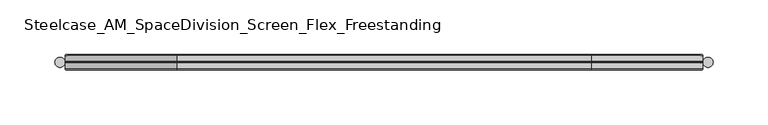
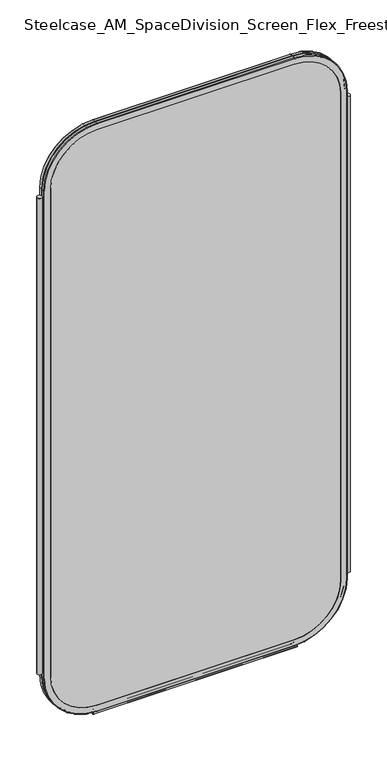
"""IFC4 building model written with IfcOpenShell, lengths in millimetres: furniture geometry, Steelcase_AM_SpaceDivision_Screen_Flex_Freestanding."""

from ifc_helpers import new_model, si_unit, point, frame, frame_2d, origin, place, context, project, spatial, polyline, circle_curve, ellipse_curve, trimmed, segment, composite_curve, outline, extrude, source, transform, mapped, element, save
from ifc_brep_helpers import plane_surface, cylinder_surface, revolved_surface, advanced_brep


def steelcase_am_spacedivision_screen_flex_freestanding_1ada0bf4(model_context):
    return source(origin(), model_context, "Body", "SolidModel", [
        extrude(outline(composite_curve([segment(trimmed(circle_curve(frame_2d((4.5307839, 0.0)), 4.572), [point((-0.0412161, 0.0))], [point((9.1027839, 0.0))], False, "CARTESIAN"), True, "CONTINUOUS"), segment(trimmed(circle_curve(frame_2d((4.5307839, 0.0)), 4.572), [point((9.1027839, 0.0))], [point((-0.0412161, 0.0))], False, "CARTESIAN"), True, "CONTINUOUS")], self_intersect=False)), frame((0.0, 0.0, 115.57), z_axis=(0.0, 0.0, 1.0), x_axis=(1.0, 0.0, 0.0)), (0.0, 0.0, 1.0), 962.66),
        extrude(outline(composite_curve([segment(trimmed(circle_curve(frame_2d((593.8932161, 0.0)), 4.572), [point((589.3212161, 0.0))], [point((598.4652161, 0.0))], False, "CARTESIAN"), True, "CONTINUOUS"), segment(trimmed(circle_curve(frame_2d((593.8932161, 0.0)), 4.572), [point((598.4652161, 0.0))], [point((589.3212161, 0.0))], False, "CARTESIAN"), True, "CONTINUOUS")], self_intersect=False)), frame((0.0, 0.0, 115.57), z_axis=(0.0, 0.0, 1.0), x_axis=(1.0, 0.0, 0.0)), (0.0, 0.0, 1.0), 962.66),
        extrude(outline(composite_curve([segment(trimmed(circle_curve(frame_2d((3.5, 2.4751953)), 2.5), [point((3.5, 4.9751953))], [point((1.4656663, 1.0220998))], False, "CARTESIAN"), True, "CONTINUOUS"), segment(trimmed(circle_curve(frame_2d((0.0, -0.0248047)), 1.8011626), [point((1.4656663, 1.0220998))], [point((-1.4656663, 1.0220998))], True, "CARTESIAN"), True, "CONTINUOUS"), segment(trimmed(circle_curve(frame_2d((-3.5, 2.4751953)), 2.5), [point((-1.4656663, 1.0220998))], [point((-3.5, 4.9751953))], False, "CARTESIAN"), True, "CONTINUOUS"), segment(trimmed(circle_curve(frame_2d((-3.5, 4.4751953)), 0.5), [point((-3.5, 4.9751953))], [point((-3.5, 3.9751953))], False, "CARTESIAN"), True, "CONTINUOUS"), segment(trimmed(circle_curve(frame_2d((-3.5, 2.4751953)), 1.5), [point((-3.5, 3.9751953))], [point((-2.3025096, 1.5718589))], True, "CARTESIAN"), True, "CONTINUOUS"), segment(trimmed(circle_curve(frame_2d((-10.3325937, 7.629417)), 10.0586411), [point((-2.3025096, 1.5718589))], [point((-0.714976, 4.6836248))], True, "CARTESIAN"), True, "CONTINUOUS"), segment(trimmed(circle_curve(frame_2d((0.0, 4.4646339)), 0.7477618), [point((-0.714976, 4.6836248))], [point((0.714976, 4.6836248))], False, "CARTESIAN"), True, "CONTINUOUS"), segment(trimmed(circle_curve(frame_2d((10.3325937, 7.629417)), 10.0586411), [point((0.714976, 4.6836248))], [point((2.3025096, 1.5718589))], True, "CARTESIAN"), True, "CONTINUOUS"), segment(trimmed(circle_curve(frame_2d((3.5, 2.4751953)), 1.5), [point((2.3025096, 1.5718589))], [point((3.5, 3.9751953))], True, "CARTESIAN"), True, "CONTINUOUS"), segment(trimmed(circle_curve(frame_2d((3.5, 4.4751953)), 0.5), [point((3.5, 3.9751953))], [point((3.5, 4.9751953))], False, "CARTESIAN"), True, "CONTINUOUS")], self_intersect=False)), frame((104.1640108, 0.0, 0.0), z_axis=(1.0, 0.0, 0.0), x_axis=(0.0, 1.0, 0.0)), (0.0, 0.0, 1.0), 390.0959784),
        advanced_brep(
        [(9.9273521, 0.0, 1092.2), (9.9273521, 0.0, 106.5996464), (110.7653521, 0.0, 5.7616464), (487.6834661, 0.0, 5.7616464), (588.5214661, 0.0, 106.5996464), (588.5214661, 0.0, 1092.2), (487.6834661, 0.0, 1193.038), (110.7653521, 0.0, 1193.038), (487.6834661, 0.0, 17.6996464), (110.7653521, 0.0, 17.6996464), (21.8653521, 0.0, 106.5996464), (21.8653521, 0.0, 1092.2), (110.7653521, 0.0, 1181.1), (487.6834661, 0.0, 1181.1), (576.5834661, 0.0, 1092.2), (576.5834661, 0.0, 106.5996464), (110.7653521, 0.762, 1193.8), (9.1653521, 0.762, 1092.2), (110.7653521, 6.096, 1193.8), (9.1653521, 6.096, 1092.2), (110.7653521, 6.858, 1193.038), (9.9273521, 6.858, 1092.2), (21.8653521, 6.858, 1092.2), (110.7653521, 6.858, 1181.1), (487.6834661, 0.762, 1193.8), (487.6834661, 6.096, 1193.8), (487.6834661, 6.858, 1193.038), (487.6834661, 6.858, 1181.1), (589.2834661, 0.762, 1092.2), (589.2834661, 6.096, 1092.2), (588.5214661, 6.858, 1092.2), (576.5834661, 6.858, 1092.2), (589.2834661, 0.762, 106.5996464), (589.2834661, 6.096, 106.5996464), (588.5214661, 6.858, 106.5996464), (576.5834661, 6.858, 106.5996464), (487.6834661, 0.762, 4.9996464), (487.6834661, 6.096, 4.9996464), (487.6834661, 6.858, 5.7616464), (487.6834661, 6.858, 17.6996464), (110.7653521, 0.762, 4.9996464), (110.7653521, 6.096, 4.9996464), (110.7653521, 6.858, 5.7616464), (110.7653521, 6.858, 17.6996464), (9.1653521, 0.762, 106.5996464), (9.1653521, 6.096, 106.5996464), (9.9273521, 6.858, 106.5996464), (21.8653521, 6.858, 106.5996464)],
        [
            (0, 1),
            (1, 2, circle_curve(frame((110.7653521, 0.0, 106.5996464), z_axis=(0.0, -1.0, 0.0), x_axis=(0.0, 0.0, -1.0)), 100.838)),
            (2, 3),
            (3, 4, circle_curve(frame((487.6834661, 0.0, 106.5996464), z_axis=(0.0, -1.0, 0.0), x_axis=(1.0, 0.0, 0.0)), 100.838)),
            (4, 5),
            (5, 6, circle_curve(frame((487.6834661, 0.0, 1092.2), z_axis=(0.0, -1.0, 0.0), x_axis=(0.0, 0.0, 1.0)), 100.838)),
            (6, 7),
            (7, 0, circle_curve(frame((110.7653521, 0.0, 1092.2), z_axis=(0.0, -1.0, 0.0), x_axis=(-1.0, 0.0, 0.0)), 100.838)),
            (8, 9),
            (9, 10, circle_curve(frame((110.7653521, 0.0, 106.5996464), z_axis=(0.0, 1.0, 0.0), x_axis=(0.0, 0.0, -1.0)), 88.9)),
            (10, 11),
            (11, 12, circle_curve(frame((110.7653521, 0.0, 1092.2), z_axis=(0.0, 1.0, 0.0), x_axis=(-1.0, 0.0, 0.0)), 88.9)),
            (12, 13),
            (13, 14, circle_curve(frame((487.6834661, 0.0, 1092.2), z_axis=(0.0, 1.0, 0.0), x_axis=(0.0, 0.0, 1.0)), 88.9)),
            (14, 15),
            (15, 8, circle_curve(frame((487.6834661, 0.0, 106.5996464), z_axis=(0.0, 1.0, 0.0), x_axis=(1.0, 0.0, 0.0)), 88.9)),
            (16, 17, circle_curve(frame((110.7653521, 0.762, 1092.2), z_axis=(0.0, -1.0, 0.0), x_axis=(-1.0, 0.0, 0.0)), 101.6)),
            (17, 0, circle_curve(frame((9.9273521, 0.762, 1092.2), z_axis=(0.0, 0.0, 1.0), x_axis=(-1.0, 0.0, 0.0)), 0.762)),
            (7, 16, circle_curve(frame((110.7653521, 0.762, 1193.038), z_axis=(-1.0, 0.0, 0.0), x_axis=(0.0, 0.0, 1.0)), 0.762)),
            (18, 19, circle_curve(frame((110.7653521, 6.096, 1092.2), z_axis=(0.0, -1.0, 0.0), x_axis=(-1.0, 0.0, 0.0)), 101.6)),
            (19, 17),
            (16, 18),
            (20, 21, circle_curve(frame((110.7653521, 6.858, 1092.2), z_axis=(0.0, -1.0, 0.0), x_axis=(-1.0, 0.0, 0.0)), 100.838)),
            (21, 19, circle_curve(frame((9.9273521, 6.096, 1092.2), z_axis=(0.0, 0.0, 1.0), x_axis=(-1.0, 0.0, 0.0)), 0.762)),
            (18, 20, circle_curve(frame((110.7653521, 6.096, 1193.038), z_axis=(-1.0, 0.0, 0.0), x_axis=(0.0, 0.0, 1.0)), 0.762)),
            (11, 22),
            (22, 23, circle_curve(frame((110.7653521, 6.858, 1092.2), z_axis=(0.0, 1.0, 0.0), x_axis=(-1.0, 0.0, 0.0)), 88.9)),
            (23, 12),
            (6, 24, circle_curve(frame((487.6834661, 0.762, 1193.038), z_axis=(-1.0, 0.0, 0.0), x_axis=(0.0, 0.0, 1.0)), 0.762)),
            (24, 16),
            (24, 25),
            (25, 18),
            (25, 26, circle_curve(frame((487.6834661, 6.096, 1193.038), z_axis=(-1.0, 0.0, 0.0), x_axis=(0.0, 0.0, 1.0)), 0.762)),
            (26, 20),
            (23, 27),
            (27, 13),
            (28, 24, circle_curve(frame((487.6834661, 0.762, 1092.2), z_axis=(0.0, -1.0, 0.0), x_axis=(0.0, 0.0, 1.0)), 101.6)),
            (5, 28, circle_curve(frame((588.5214661, 0.762, 1092.2), z_axis=(0.0, 0.0, 1.0), x_axis=(1.0, 0.0, 0.0)), 0.762)),
            (29, 25, circle_curve(frame((487.6834661, 6.096, 1092.2), z_axis=(0.0, -1.0, 0.0), x_axis=(0.0, 0.0, 1.0)), 101.6)),
            (28, 29),
            (30, 26, circle_curve(frame((487.6834661, 6.858, 1092.2), z_axis=(0.0, -1.0, 0.0), x_axis=(0.0, 0.0, 1.0)), 100.838)),
            (29, 30, circle_curve(frame((588.5214661, 6.096, 1092.2), z_axis=(0.0, 0.0, 1.0), x_axis=(1.0, 0.0, 0.0)), 0.762)),
            (27, 31, circle_curve(frame((487.6834661, 6.858, 1092.2), z_axis=(0.0, 1.0, 0.0), x_axis=(0.0, 0.0, 1.0)), 88.9)),
            (31, 14),
            (4, 32, circle_curve(frame((588.5214661, 0.762, 106.5996464), z_axis=(0.0, 0.0, 1.0), x_axis=(1.0, 0.0, 0.0)), 0.762)),
            (32, 28),
            (32, 33),
            (33, 29),
            (33, 34, circle_curve(frame((588.5214661, 6.096, 106.5996464), z_axis=(0.0, 0.0, 1.0), x_axis=(1.0, 0.0, 0.0)), 0.762)),
            (34, 30),
            (31, 35),
            (35, 15),
            (36, 32, circle_curve(frame((487.6834661, 0.762, 106.5996464), z_axis=(0.0, -1.0, 0.0), x_axis=(1.0, 0.0, 0.0)), 101.6)),
            (3, 36, circle_curve(frame((487.6834661, 0.762, 5.7616464), z_axis=(1.0, 0.0, 0.0), x_axis=(0.0, 0.0, -1.0)), 0.762)),
            (37, 33, circle_curve(frame((487.6834661, 6.096, 106.5996464), z_axis=(0.0, -1.0, 0.0), x_axis=(1.0, 0.0, 0.0)), 101.6)),
            (36, 37),
            (38, 34, circle_curve(frame((487.6834661, 6.858, 106.5996464), z_axis=(0.0, -1.0, 0.0), x_axis=(1.0, 0.0, 0.0)), 100.838)),
            (37, 38, circle_curve(frame((487.6834661, 6.096, 5.7616464), z_axis=(1.0, 0.0, 0.0), x_axis=(0.0, 0.0, -1.0)), 0.762)),
            (35, 39, circle_curve(frame((487.6834661, 6.858, 106.5996464), z_axis=(0.0, 1.0, 0.0), x_axis=(1.0, 0.0, 0.0)), 88.9)),
            (39, 8),
            (2, 40, circle_curve(frame((110.7653521, 0.762, 5.7616464), z_axis=(1.0, 0.0, 0.0), x_axis=(0.0, 0.0, -1.0)), 0.762)),
            (40, 36),
            (40, 41),
            (41, 37),
            (41, 42, circle_curve(frame((110.7653521, 6.096, 5.7616464), z_axis=(1.0, 0.0, 0.0), x_axis=(0.0, 0.0, -1.0)), 0.762)),
            (42, 38),
            (39, 43),
            (43, 9),
            (44, 40, circle_curve(frame((110.7653521, 0.762, 106.5996464), z_axis=(0.0, -1.0, 0.0), x_axis=(0.0, 0.0, -1.0)), 101.6)),
            (1, 44, circle_curve(frame((9.9273521, 0.762, 106.5996464), z_axis=(0.0, 0.0, -1.0), x_axis=(-1.0, 0.0, 0.0)), 0.762)),
            (45, 41, circle_curve(frame((110.7653521, 6.096, 106.5996464), z_axis=(0.0, -1.0, 0.0), x_axis=(0.0, 0.0, -1.0)), 101.6)),
            (44, 45),
            (46, 42, circle_curve(frame((110.7653521, 6.858, 106.5996464), z_axis=(0.0, -1.0, 0.0), x_axis=(0.0, 0.0, -1.0)), 100.838)),
            (45, 46, circle_curve(frame((9.9273521, 6.096, 106.5996464), z_axis=(0.0, 0.0, -1.0), x_axis=(-1.0, 0.0, 0.0)), 0.762)),
            (43, 47, circle_curve(frame((110.7653521, 6.858, 106.5996464), z_axis=(0.0, 1.0, 0.0), x_axis=(0.0, 0.0, -1.0)), 88.9)),
            (47, 10),
            (17, 44),
            (19, 45),
            (21, 46),
            (22, 47),
        ],
        [
            plane_surface(frame((21.8653521, 0.0, 106.5996464), z_axis=(0.0, -1.0, 0.0), x_axis=(0.0, 0.0, 1.0))),
            revolved_surface(trimmed(ellipse_curve(frame((9.9273521, 0.762, 1092.2), z_axis=(0.0, 0.0, -1.0), x_axis=(-1.0, 0.0, 0.0)), 0.762, 0.762), [point((9.9273521, 0.0, 1092.2))], [point((9.1653521, 0.762, 1092.2))], True, "CARTESIAN"), (110.7653521, 0.0, 1092.2), (0.0, 1.0, 0.0)),
            cylinder_surface(frame((110.7653521, 0.0, 1092.2), z_axis=(0.0, 1.0, 0.0), x_axis=(-1.0, 0.0, 0.0)), 101.6),
            revolved_surface(trimmed(ellipse_curve(frame((9.9273521, 6.096, 1092.2), z_axis=(0.0, 0.0, -1.0), x_axis=(-1.0, 0.0, 0.0)), 0.762, 0.762), [point((9.1653521, 6.096, 1092.2))], [point((9.9273521, 6.858, 1092.2))], True, "CARTESIAN"), (110.7653521, 0.0, 1092.2), (0.0, 1.0, 0.0)),
            revolved_surface(polyline([(21.865352099999996, 6.858, 1092.2), (21.865352099999996, 0.0, 1092.2)]), (110.7653521, 0.0, 1092.2), (0.0, 1.0, 0.0)),
            cylinder_surface(frame((110.7653521, 0.762, 1193.038), z_axis=(-1.0, 0.0, 0.0), x_axis=(0.0, 0.0, 1.0)), 0.762),
            plane_surface(frame((110.7653521, 0.762, 1193.8), z_axis=(0.0, 0.0, 1.0), x_axis=(1.0, 0.0, 0.0))),
            cylinder_surface(frame((110.7653521, 6.096, 1193.038), z_axis=(-1.0, 0.0, 0.0), x_axis=(0.0, 0.0, 1.0)), 0.762),
            plane_surface(frame((110.7653521, 6.858, 1181.1), z_axis=(0.0, 0.0, -1.0), x_axis=(1.0, 0.0, 0.0))),
            revolved_surface(trimmed(ellipse_curve(frame((487.6834661, 0.762, 1193.038), z_axis=(-1.0, 0.0, 0.0), x_axis=(0.0, 0.0, 1.0)), 0.762, 0.762), [point((487.6834661, 0.0, 1193.038))], [point((487.6834661, 0.762, 1193.8))], True, "CARTESIAN"), (487.6834661, 0.0, 1092.2), (0.0, 1.0, 0.0)),
            cylinder_surface(frame((487.6834661, 0.0, 1092.2), z_axis=(0.0, 1.0, 0.0), x_axis=(0.0, 0.0, 1.0)), 101.6),
            revolved_surface(trimmed(ellipse_curve(frame((487.6834661, 6.096, 1193.038), z_axis=(-1.0, 0.0, 0.0), x_axis=(0.0, 0.0, 1.0)), 0.762, 0.762), [point((487.6834661, 6.096, 1193.8))], [point((487.6834661, 6.858, 1193.038))], True, "CARTESIAN"), (487.6834661, 0.0, 1092.2), (0.0, 1.0, 0.0)),
            revolved_surface(polyline([(487.6834661, 6.858, 1181.1000000000001), (487.6834661, 0.0, 1181.1000000000001)]), (487.6834661, 0.0, 1092.2), (0.0, 1.0, 0.0)),
            cylinder_surface(frame((588.5214661, 0.762, 1092.2), z_axis=(0.0, 0.0, 1.0), x_axis=(1.0, 0.0, 0.0)), 0.762),
            plane_surface(frame((589.2834661, 0.762, 1092.2), z_axis=(1.0, 0.0, 0.0), x_axis=(0.0, 0.0, -1.0))),
            cylinder_surface(frame((588.5214661, 6.096, 1092.2), z_axis=(0.0, 0.0, 1.0), x_axis=(1.0, 0.0, 0.0)), 0.762),
            plane_surface(frame((576.5834661, 6.858, 1092.2), z_axis=(-1.0, 0.0, 0.0), x_axis=(0.0, 0.0, -1.0))),
            revolved_surface(trimmed(ellipse_curve(frame((588.5214661, 0.762, 106.5996464), z_axis=(0.0, 0.0, 1.0), x_axis=(1.0, 0.0, 0.0)), 0.762, 0.762), [point((588.5214661, 0.0, 106.5996464))], [point((589.2834661, 0.762, 106.5996464))], True, "CARTESIAN"), (487.6834661, 0.0, 106.5996464), (0.0, 1.0, 0.0)),
            cylinder_surface(frame((487.6834661, 0.0, 106.5996464), z_axis=(0.0, 1.0, 0.0), x_axis=(1.0, 0.0, 0.0)), 101.6),
            revolved_surface(trimmed(ellipse_curve(frame((588.5214661, 6.096, 106.5996464), z_axis=(0.0, 0.0, 1.0), x_axis=(1.0, 0.0, 0.0)), 0.762, 0.762), [point((589.2834661, 6.096, 106.5996464))], [point((588.5214661, 6.858, 106.5996464))], True, "CARTESIAN"), (487.6834661, 0.0, 106.5996464), (0.0, 1.0, 0.0)),
            revolved_surface(polyline([(576.5834661, 6.858, 106.5996464), (576.5834661, 0.0, 106.5996464)]), (487.6834661, 0.0, 106.5996464), (0.0, 1.0, 0.0)),
            cylinder_surface(frame((487.6834661, 0.762, 5.7616464), z_axis=(1.0, 0.0, 0.0), x_axis=(0.0, 0.0, -1.0)), 0.762),
            plane_surface(frame((487.6834661, 0.762, 4.9996464), z_axis=(0.0, 0.0, -1.0), x_axis=(-1.0, 0.0, 0.0))),
            cylinder_surface(frame((487.6834661, 6.096, 5.7616464), z_axis=(1.0, 0.0, 0.0), x_axis=(0.0, 0.0, -1.0)), 0.762),
            plane_surface(frame((487.6834661, 6.858, 17.6996464), z_axis=(0.0, 0.0, 1.0), x_axis=(-1.0, 0.0, 0.0))),
            revolved_surface(trimmed(ellipse_curve(frame((110.7653521, 0.762, 5.7616464), z_axis=(1.0, 0.0, 0.0), x_axis=(0.0, 0.0, -1.0)), 0.762, 0.762), [point((110.7653521, 0.0, 5.7616464))], [point((110.7653521, 0.762, 4.9996464))], True, "CARTESIAN"), (110.7653521, 0.0, 106.5996464), (0.0, 1.0, 0.0)),
            cylinder_surface(frame((110.7653521, 0.0, 106.5996464), z_axis=(0.0, 1.0, 0.0), x_axis=(0.0, 0.0, -1.0)), 101.6),
            revolved_surface(trimmed(ellipse_curve(frame((110.7653521, 6.096, 5.7616464), z_axis=(1.0, 0.0, 0.0), x_axis=(0.0, 0.0, -1.0)), 0.762, 0.762), [point((110.7653521, 6.096, 4.9996464))], [point((110.7653521, 6.858, 5.7616464))], True, "CARTESIAN"), (110.7653521, 0.0, 106.5996464), (0.0, 1.0, 0.0)),
            revolved_surface(polyline([(110.7653521, 6.858, 17.699646399999992), (110.7653521, 0.0, 17.699646399999992)]), (110.7653521, 0.0, 106.5996464), (0.0, 1.0, 0.0)),
            cylinder_surface(frame((9.9273521, 0.762, 106.5996464), z_axis=(0.0, 0.0, -1.0), x_axis=(-1.0, 0.0, 0.0)), 0.762),
            plane_surface(frame((9.1653521, 0.762, 106.5996464), z_axis=(-1.0, 0.0, 0.0), x_axis=(0.0, 0.0, 1.0))),
            cylinder_surface(frame((9.9273521, 6.096, 106.5996464), z_axis=(0.0, 0.0, -1.0), x_axis=(-1.0, 0.0, 0.0)), 0.762),
            plane_surface(frame((9.9273521, 6.858, 106.5996464), z_axis=(0.0, 1.0, 0.0), x_axis=(0.0, 0.0, 1.0))),
            plane_surface(frame((21.8653521, 6.858, 106.5996464), z_axis=(1.0, 0.0, 0.0), x_axis=(0.0, 0.0, 1.0))),
        ],
        [
            (0, [[1, 2, 3, 4, 5, 6, 7, 8], [9, 10, 11, 12, 13, 14, 15, 16]]),
            (1, [[17, 18, -8, 19]]),
            (2, [[20, 21, -17, 22]]),
            (3, [[23, 24, -20, 25]]),
            (4, [[-12, 26, 27, 28]]),
            (5, [[-19, -7, 29, 30]]),
            (6, [[-22, -30, 31, 32]]),
            (7, [[-25, -32, 33, 34]]),
            (8, [[-28, 35, 36, -13]]),
            (9, [[37, -29, -6, 38]]),
            (10, [[39, -31, -37, 40]]),
            (11, [[41, -33, -39, 42]]),
            (12, [[-14, -36, 43, 44]]),
            (13, [[-38, -5, 45, 46]]),
            (14, [[-40, -46, 47, 48]]),
            (15, [[-42, -48, 49, 50]]),
            (16, [[-44, 51, 52, -15]]),
            (17, [[53, -45, -4, 54]]),
            (18, [[55, -47, -53, 56]]),
            (19, [[57, -49, -55, 58]]),
            (20, [[-16, -52, 59, 60]]),
            (21, [[-54, -3, 61, 62]]),
            (22, [[-56, -62, 63, 64]]),
            (23, [[-58, -64, 65, 66]]),
            (24, [[-60, 67, 68, -9]]),
            (25, [[69, -61, -2, 70]]),
            (26, [[71, -63, -69, 72]]),
            (27, [[73, -65, -71, 74]]),
            (28, [[-10, -68, 75, 76]]),
            (29, [[-70, -1, -18, 77]]),
            (30, [[-72, -77, -21, 78]]),
            (31, [[-74, -78, -24, 79]]),
            (32, [[-66, -73, -79, -23, -34, -41, -50, -57], [80, -75, -67, -59, -51, -43, -35, -27]]),
            (33, [[-76, -80, -26, -11]]),
        ],
    ),
        extrude(outline(composite_curve([segment(polyline([(1181.1, 487.6834661), (1181.1, 110.7653521)]), True, "CONTINUOUS"), segment(trimmed(circle_curve(frame_2d((1092.2, 110.7653521)), 88.9), [point((1181.1, 110.7653521))], [point((1092.2, 21.8653521))], False, "CARTESIAN"), True, "CONTINUOUS"), segment(polyline([(1092.2, 21.8653521), (106.5996464, 21.8653521)]), True, "CONTINUOUS"), segment(trimmed(circle_curve(frame_2d((106.5996464, 110.7653521)), 88.9), [point((106.5996464, 21.8653521))], [point((17.6996464, 110.7653521))], False, "CARTESIAN"), True, "CONTINUOUS"), segment(polyline([(17.6996464, 110.7653521), (17.6996464, 487.6834661)]), True, "CONTINUOUS"), segment(trimmed(circle_curve(frame_2d((106.5996464, 487.6834661)), 88.9), [point((17.6996464, 487.6834661))], [point((106.5996464, 576.5834661))], False, "CARTESIAN"), True, "CONTINUOUS"), segment(polyline([(106.5996464, 576.5834661), (1092.2, 576.5834661)]), True, "CONTINUOUS"), segment(trimmed(circle_curve(frame_2d((1092.2, 487.6834661)), 88.9), [point((1092.2, 576.5834661))], [point((1181.1, 487.6834661))], False, "CARTESIAN"), True, "CONTINUOUS")], self_intersect=False)), frame((0.0, 0.0, 0.0), z_axis=(0.0, 1.0, 0.0), x_axis=(0.0, 0.0, 1.0)), (0.0, 0.0, 1.0), 6.858),
        advanced_brep(
        [(110.7653521, -6.858, 1181.1), (21.8653521, -6.858, 1092.2), (21.8653521, 0.0, 1092.2), (110.7653521, 0.0, 1181.1), (110.7653521, -6.096, 1193.8), (9.1653521, -6.096, 1092.2), (9.9273521, -6.858, 1092.2), (110.7653521, -6.858, 1193.038), (110.7653521, -0.762, 1193.8), (9.1653521, -0.762, 1092.2), (110.7653521, 0.0, 1193.038), (9.9273521, 0.0, 1092.2), (487.6834661, 0.0, 1181.1), (487.6834661, -6.858, 1181.1), (487.6834661, -6.858, 1193.038), (487.6834661, -6.096, 1193.8), (487.6834661, -0.762, 1193.8), (487.6834661, 0.0, 1193.038), (576.5834661, -6.858, 1092.2), (576.5834661, 0.0, 1092.2), (589.2834661, -6.096, 1092.2), (588.5214661, -6.858, 1092.2), (589.2834661, -0.762, 1092.2), (588.5214661, 0.0, 1092.2), (576.5834661, 0.0, 106.5996464), (576.5834661, -6.858, 106.5996464), (588.5214661, -6.858, 106.5996464), (589.2834661, -6.096, 106.5996464), (589.2834661, -0.762, 106.5996464), (588.5214661, 0.0, 106.5996464), (487.6834661, -6.858, 17.6996464), (487.6834661, 0.0, 17.6996464), (487.6834661, -6.096, 4.9996464), (487.6834661, -6.858, 5.7616464), (487.6834661, -0.762, 4.9996464), (487.6834661, 0.0, 5.7616464), (110.7653521, 0.0, 17.6996464), (110.7653521, -6.858, 17.6996464), (110.7653521, -6.858, 5.7616464), (110.7653521, -6.096, 4.9996464), (110.7653521, -0.762, 4.9996464), (110.7653521, 0.0, 5.7616464), (21.8653521, -6.858, 106.5996464), (21.8653521, 0.0, 106.5996464), (9.1653521, -6.096, 106.5996464), (9.9273521, -6.858, 106.5996464), (9.1653521, -0.762, 106.5996464), (9.9273521, 0.0, 106.5996464)],
        [
            (0, 1, circle_curve(frame((110.7653521, -6.858, 1092.2), z_axis=(0.0, -1.0, 0.0), x_axis=(-1.0, 0.0, 0.0)), 88.9)),
            (1, 2),
            (2, 3, circle_curve(frame((110.7653521, 0.0, 1092.2), z_axis=(0.0, 1.0, 0.0), x_axis=(-1.0, 0.0, 0.0)), 88.9)),
            (3, 0),
            (4, 5, circle_curve(frame((110.7653521, -6.096, 1092.2), z_axis=(0.0, -1.0, 0.0), x_axis=(-1.0, 0.0, 0.0)), 101.6)),
            (5, 6, circle_curve(frame((9.9273521, -6.096, 1092.2), z_axis=(0.0, 0.0, 1.0), x_axis=(-1.0, 0.0, 0.0)), 0.762)),
            (6, 7, circle_curve(frame((110.7653521, -6.858, 1092.2), z_axis=(0.0, 1.0, 0.0), x_axis=(-1.0, 0.0, 0.0)), 100.838)),
            (7, 4, circle_curve(frame((110.7653521, -6.096, 1193.038), z_axis=(-1.0, 0.0, 0.0), x_axis=(0.0, 0.0, 1.0)), 0.762)),
            (8, 9, circle_curve(frame((110.7653521, -0.762, 1092.2), z_axis=(0.0, -1.0, 0.0), x_axis=(-1.0, 0.0, 0.0)), 101.6)),
            (9, 5),
            (4, 8),
            (10, 11, circle_curve(frame((110.7653521, 0.0, 1092.2), z_axis=(0.0, -1.0, 0.0), x_axis=(-1.0, 0.0, 0.0)), 100.838)),
            (11, 9, circle_curve(frame((9.9273521, -0.762, 1092.2), z_axis=(0.0, 0.0, 1.0), x_axis=(-1.0, 0.0, 0.0)), 0.762)),
            (8, 10, circle_curve(frame((110.7653521, -0.762, 1193.038), z_axis=(-1.0, 0.0, 0.0), x_axis=(0.0, 0.0, 1.0)), 0.762)),
            (3, 12),
            (12, 13),
            (13, 0),
            (7, 14),
            (14, 15, circle_curve(frame((487.6834661, -6.096, 1193.038), z_axis=(-1.0, 0.0, 0.0), x_axis=(0.0, 0.0, 1.0)), 0.762)),
            (15, 4),
            (15, 16),
            (16, 8),
            (16, 17, circle_curve(frame((487.6834661, -0.762, 1193.038), z_axis=(-1.0, 0.0, 0.0), x_axis=(0.0, 0.0, 1.0)), 0.762)),
            (17, 10),
            (18, 13, circle_curve(frame((487.6834661, -6.858, 1092.2), z_axis=(0.0, -1.0, 0.0), x_axis=(0.0, 0.0, 1.0)), 88.9)),
            (12, 19, circle_curve(frame((487.6834661, 0.0, 1092.2), z_axis=(0.0, 1.0, 0.0), x_axis=(0.0, 0.0, 1.0)), 88.9)),
            (19, 18),
            (20, 15, circle_curve(frame((487.6834661, -6.096, 1092.2), z_axis=(0.0, -1.0, 0.0), x_axis=(0.0, 0.0, 1.0)), 101.6)),
            (14, 21, circle_curve(frame((487.6834661, -6.858, 1092.2), z_axis=(0.0, 1.0, 0.0), x_axis=(0.0, 0.0, 1.0)), 100.838)),
            (21, 20, circle_curve(frame((588.5214661, -6.096, 1092.2), z_axis=(0.0, 0.0, 1.0), x_axis=(1.0, 0.0, 0.0)), 0.762)),
            (22, 16, circle_curve(frame((487.6834661, -0.762, 1092.2), z_axis=(0.0, -1.0, 0.0), x_axis=(0.0, 0.0, 1.0)), 101.6)),
            (20, 22),
            (23, 17, circle_curve(frame((487.6834661, 0.0, 1092.2), z_axis=(0.0, -1.0, 0.0), x_axis=(0.0, 0.0, 1.0)), 100.838)),
            (22, 23, circle_curve(frame((588.5214661, -0.762, 1092.2), z_axis=(0.0, 0.0, 1.0), x_axis=(1.0, 0.0, 0.0)), 0.762)),
            (19, 24),
            (24, 25),
            (25, 18),
            (21, 26),
            (26, 27, circle_curve(frame((588.5214661, -6.096, 106.5996464), z_axis=(0.0, 0.0, 1.0), x_axis=(1.0, 0.0, 0.0)), 0.762)),
            (27, 20),
            (27, 28),
            (28, 22),
            (28, 29, circle_curve(frame((588.5214661, -0.762, 106.5996464), z_axis=(0.0, 0.0, 1.0), x_axis=(1.0, 0.0, 0.0)), 0.762)),
            (29, 23),
            (30, 25, circle_curve(frame((487.6834661, -6.858, 106.5996464), z_axis=(0.0, -1.0, 0.0), x_axis=(1.0, 0.0, 0.0)), 88.9)),
            (24, 31, circle_curve(frame((487.6834661, 0.0, 106.5996464), z_axis=(0.0, 1.0, 0.0), x_axis=(1.0, 0.0, 0.0)), 88.9)),
            (31, 30),
            (32, 27, circle_curve(frame((487.6834661, -6.096, 106.5996464), z_axis=(0.0, -1.0, 0.0), x_axis=(1.0, 0.0, 0.0)), 101.6)),
            (26, 33, circle_curve(frame((487.6834661, -6.858, 106.5996464), z_axis=(0.0, 1.0, 0.0), x_axis=(1.0, 0.0, 0.0)), 100.838)),
            (33, 32, circle_curve(frame((487.6834661, -6.096, 5.7616464), z_axis=(1.0, 0.0, 0.0), x_axis=(0.0, 0.0, -1.0)), 0.762)),
            (34, 28, circle_curve(frame((487.6834661, -0.762, 106.5996464), z_axis=(0.0, -1.0, 0.0), x_axis=(1.0, 0.0, 0.0)), 101.6)),
            (32, 34),
            (35, 29, circle_curve(frame((487.6834661, 0.0, 106.5996464), z_axis=(0.0, -1.0, 0.0), x_axis=(1.0, 0.0, 0.0)), 100.838)),
            (34, 35, circle_curve(frame((487.6834661, -0.762, 5.7616464), z_axis=(1.0, 0.0, 0.0), x_axis=(0.0, 0.0, -1.0)), 0.762)),
            (31, 36),
            (36, 37),
            (37, 30),
            (33, 38),
            (38, 39, circle_curve(frame((110.7653521, -6.096, 5.7616464), z_axis=(1.0, 0.0, 0.0), x_axis=(0.0, 0.0, -1.0)), 0.762)),
            (39, 32),
            (39, 40),
            (40, 34),
            (40, 41, circle_curve(frame((110.7653521, -0.762, 5.7616464), z_axis=(1.0, 0.0, 0.0), x_axis=(0.0, 0.0, -1.0)), 0.762)),
            (41, 35),
            (42, 37, circle_curve(frame((110.7653521, -6.858, 106.5996464), z_axis=(0.0, -1.0, 0.0), x_axis=(0.0, 0.0, -1.0)), 88.9)),
            (36, 43, circle_curve(frame((110.7653521, 0.0, 106.5996464), z_axis=(0.0, 1.0, 0.0), x_axis=(0.0, 0.0, -1.0)), 88.9)),
            (43, 42),
            (44, 39, circle_curve(frame((110.7653521, -6.096, 106.5996464), z_axis=(0.0, -1.0, 0.0), x_axis=(0.0, 0.0, -1.0)), 101.6)),
            (38, 45, circle_curve(frame((110.7653521, -6.858, 106.5996464), z_axis=(0.0, 1.0, 0.0), x_axis=(0.0, 0.0, -1.0)), 100.838)),
            (45, 44, circle_curve(frame((9.9273521, -6.096, 106.5996464), z_axis=(0.0, 0.0, -1.0), x_axis=(-1.0, 0.0, 0.0)), 0.762)),
            (46, 40, circle_curve(frame((110.7653521, -0.762, 106.5996464), z_axis=(0.0, -1.0, 0.0), x_axis=(0.0, 0.0, -1.0)), 101.6)),
            (44, 46),
            (47, 41, circle_curve(frame((110.7653521, 0.0, 106.5996464), z_axis=(0.0, -1.0, 0.0), x_axis=(0.0, 0.0, -1.0)), 100.838)),
            (46, 47, circle_curve(frame((9.9273521, -0.762, 106.5996464), z_axis=(0.0, 0.0, -1.0), x_axis=(-1.0, 0.0, 0.0)), 0.762)),
            (43, 2),
            (1, 42),
            (6, 45),
            (5, 44),
            (9, 46),
            (11, 47),
        ],
        [
            revolved_surface(polyline([(21.865352099999996, 0.0, 1092.2), (21.865352099999996, -6.858, 1092.2)]), (110.7653521, 0.0, 1092.2), (0.0, 1.0, 0.0)),
            revolved_surface(trimmed(ellipse_curve(frame((9.9273521, -6.096, 1092.2), z_axis=(0.0, 0.0, -1.0), x_axis=(-1.0, 0.0, 0.0)), 0.762, 0.762), [point((9.9273521, -6.858, 1092.2))], [point((9.1653521, -6.096, 1092.2))], True, "CARTESIAN"), (110.7653521, 0.0, 1092.2), (0.0, 1.0, 0.0)),
            cylinder_surface(frame((110.7653521, 0.0, 1092.2), z_axis=(0.0, 1.0, 0.0), x_axis=(-1.0, 0.0, 0.0)), 101.6),
            revolved_surface(trimmed(ellipse_curve(frame((9.9273521, -0.762, 1092.2), z_axis=(0.0, 0.0, -1.0), x_axis=(-1.0, 0.0, 0.0)), 0.762, 0.762), [point((9.1653521, -0.762, 1092.2))], [point((9.9273521, 0.0, 1092.2))], True, "CARTESIAN"), (110.7653521, 0.0, 1092.2), (0.0, 1.0, 0.0)),
            plane_surface(frame((110.7653521, 0.0, 1181.1), z_axis=(0.0, 0.0, -1.0), x_axis=(1.0, 0.0, 0.0))),
            cylinder_surface(frame((110.7653521, -6.096, 1193.038), z_axis=(-1.0, 0.0, 0.0), x_axis=(0.0, 0.0, 1.0)), 0.762),
            plane_surface(frame((110.7653521, -6.096, 1193.8), z_axis=(0.0, 0.0, 1.0), x_axis=(1.0, 0.0, 0.0))),
            cylinder_surface(frame((110.7653521, -0.762, 1193.038), z_axis=(-1.0, 0.0, 0.0), x_axis=(0.0, 0.0, 1.0)), 0.762),
            revolved_surface(polyline([(487.6834661, 0.0, 1181.1000000000001), (487.6834661, -6.858, 1181.1000000000001)]), (487.6834661, 0.0, 1092.2), (0.0, 1.0, 0.0)),
            revolved_surface(trimmed(ellipse_curve(frame((487.6834661, -6.096, 1193.038), z_axis=(-1.0, 0.0, 0.0), x_axis=(0.0, 0.0, 1.0)), 0.762, 0.762), [point((487.6834661, -6.858, 1193.038))], [point((487.6834661, -6.096, 1193.8))], True, "CARTESIAN"), (487.6834661, 0.0, 1092.2), (0.0, 1.0, 0.0)),
            cylinder_surface(frame((487.6834661, 0.0, 1092.2), z_axis=(0.0, 1.0, 0.0), x_axis=(0.0, 0.0, 1.0)), 101.6),
            revolved_surface(trimmed(ellipse_curve(frame((487.6834661, -0.762, 1193.038), z_axis=(-1.0, 0.0, 0.0), x_axis=(0.0, 0.0, 1.0)), 0.762, 0.762), [point((487.6834661, -0.762, 1193.8))], [point((487.6834661, 0.0, 1193.038))], True, "CARTESIAN"), (487.6834661, 0.0, 1092.2), (0.0, 1.0, 0.0)),
            plane_surface(frame((576.5834661, 0.0, 1092.2), z_axis=(-1.0, 0.0, 0.0), x_axis=(0.0, 0.0, -1.0))),
            cylinder_surface(frame((588.5214661, -6.096, 1092.2), z_axis=(0.0, 0.0, 1.0), x_axis=(1.0, 0.0, 0.0)), 0.762),
            plane_surface(frame((589.2834661, -6.096, 1092.2), z_axis=(1.0, 0.0, 0.0), x_axis=(0.0, 0.0, -1.0))),
            cylinder_surface(frame((588.5214661, -0.762, 1092.2), z_axis=(0.0, 0.0, 1.0), x_axis=(1.0, 0.0, 0.0)), 0.762),
            revolved_surface(polyline([(576.5834661, 0.0, 106.5996464), (576.5834661, -6.858, 106.5996464)]), (487.6834661, 0.0, 106.5996464), (0.0, 1.0, 0.0)),
            revolved_surface(trimmed(ellipse_curve(frame((588.5214661, -6.096, 106.5996464), z_axis=(0.0, 0.0, 1.0), x_axis=(1.0, 0.0, 0.0)), 0.762, 0.762), [point((588.5214661, -6.858, 106.5996464))], [point((589.2834661, -6.096, 106.5996464))], True, "CARTESIAN"), (487.6834661, 0.0, 106.5996464), (0.0, 1.0, 0.0)),
            cylinder_surface(frame((487.6834661, 0.0, 106.5996464), z_axis=(0.0, 1.0, 0.0), x_axis=(1.0, 0.0, 0.0)), 101.6),
            revolved_surface(trimmed(ellipse_curve(frame((588.5214661, -0.762, 106.5996464), z_axis=(0.0, 0.0, 1.0), x_axis=(1.0, 0.0, 0.0)), 0.762, 0.762), [point((589.2834661, -0.762, 106.5996464))], [point((588.5214661, 0.0, 106.5996464))], True, "CARTESIAN"), (487.6834661, 0.0, 106.5996464), (0.0, 1.0, 0.0)),
            plane_surface(frame((487.6834661, 0.0, 17.6996464), z_axis=(0.0, 0.0, 1.0), x_axis=(-1.0, 0.0, 0.0))),
            cylinder_surface(frame((487.6834661, -6.096, 5.7616464), z_axis=(1.0, 0.0, 0.0), x_axis=(0.0, 0.0, -1.0)), 0.762),
            plane_surface(frame((487.6834661, -6.096, 4.9996464), z_axis=(0.0, 0.0, -1.0), x_axis=(-1.0, 0.0, 0.0))),
            cylinder_surface(frame((487.6834661, -0.762, 5.7616464), z_axis=(1.0, 0.0, 0.0), x_axis=(0.0, 0.0, -1.0)), 0.762),
            revolved_surface(polyline([(110.7653521, 0.0, 17.699646399999992), (110.7653521, -6.858, 17.699646399999992)]), (110.7653521, 0.0, 106.5996464), (0.0, 1.0, 0.0)),
            revolved_surface(trimmed(ellipse_curve(frame((110.7653521, -6.096, 5.7616464), z_axis=(1.0, 0.0, 0.0), x_axis=(0.0, 0.0, -1.0)), 0.762, 0.762), [point((110.7653521, -6.858, 5.7616464))], [point((110.7653521, -6.096, 4.9996464))], True, "CARTESIAN"), (110.7653521, 0.0, 106.5996464), (0.0, 1.0, 0.0)),
            cylinder_surface(frame((110.7653521, 0.0, 106.5996464), z_axis=(0.0, 1.0, 0.0), x_axis=(0.0, 0.0, -1.0)), 101.6),
            revolved_surface(trimmed(ellipse_curve(frame((110.7653521, -0.762, 5.7616464), z_axis=(1.0, 0.0, 0.0), x_axis=(0.0, 0.0, -1.0)), 0.762, 0.762), [point((110.7653521, -0.762, 4.9996464))], [point((110.7653521, 0.0, 5.7616464))], True, "CARTESIAN"), (110.7653521, 0.0, 106.5996464), (0.0, 1.0, 0.0)),
            plane_surface(frame((21.8653521, 0.0, 106.5996464), z_axis=(1.0, 0.0, 0.0), x_axis=(0.0, 0.0, 1.0))),
            plane_surface(frame((21.8653521, -6.858, 106.5996464), z_axis=(0.0, -1.0, 0.0), x_axis=(0.0, 0.0, 1.0))),
            cylinder_surface(frame((9.9273521, -6.096, 106.5996464), z_axis=(0.0, 0.0, -1.0), x_axis=(-1.0, 0.0, 0.0)), 0.762),
            plane_surface(frame((9.1653521, -6.096, 106.5996464), z_axis=(-1.0, 0.0, 0.0), x_axis=(0.0, 0.0, 1.0))),
            cylinder_surface(frame((9.9273521, -0.762, 106.5996464), z_axis=(0.0, 0.0, -1.0), x_axis=(-1.0, 0.0, 0.0)), 0.762),
            plane_surface(frame((9.9273521, 0.0, 106.5996464), z_axis=(0.0, 1.0, 0.0), x_axis=(0.0, 0.0, 1.0))),
        ],
        [
            (0, [[1, 2, 3, 4]]),
            (1, [[5, 6, 7, 8]]),
            (2, [[9, 10, -5, 11]]),
            (3, [[12, 13, -9, 14]]),
            (4, [[-4, 15, 16, 17]]),
            (5, [[-8, 18, 19, 20]]),
            (6, [[-11, -20, 21, 22]]),
            (7, [[-14, -22, 23, 24]]),
            (8, [[25, -16, 26, 27]]),
            (9, [[28, -19, 29, 30]]),
            (10, [[31, -21, -28, 32]]),
            (11, [[33, -23, -31, 34]]),
            (12, [[-27, 35, 36, 37]]),
            (13, [[-30, 38, 39, 40]]),
            (14, [[-32, -40, 41, 42]]),
            (15, [[-34, -42, 43, 44]]),
            (16, [[45, -36, 46, 47]]),
            (17, [[48, -39, 49, 50]]),
            (18, [[51, -41, -48, 52]]),
            (19, [[53, -43, -51, 54]]),
            (20, [[-47, 55, 56, 57]]),
            (21, [[-50, 58, 59, 60]]),
            (22, [[-52, -60, 61, 62]]),
            (23, [[-54, -62, 63, 64]]),
            (24, [[65, -56, 66, 67]]),
            (25, [[68, -59, 69, 70]]),
            (26, [[71, -61, -68, 72]]),
            (27, [[73, -63, -71, 74]]),
            (28, [[-67, 75, -2, 76]]),
            (29, [[77, -69, -58, -49, -38, -29, -18, -7], [-57, -65, -76, -1, -17, -25, -37, -45]]),
            (30, [[-70, -77, -6, 78]]),
            (31, [[-72, -78, -10, 79]]),
            (32, [[-74, -79, -13, 80]]),
            (33, [[-64, -73, -80, -12, -24, -33, -44, -53], [-75, -66, -55, -46, -35, -26, -15, -3]]),
        ],
    ),
        extrude(outline(composite_curve([segment(polyline([(1181.1, 487.6834661), (1181.1, 110.7653521)]), True, "CONTINUOUS"), segment(trimmed(circle_curve(frame_2d((1092.2, 110.7653521)), 88.9), [point((1181.1, 110.7653521))], [point((1092.2, 21.8653521))], False, "CARTESIAN"), True, "CONTINUOUS"), segment(polyline([(1092.2, 21.8653521), (106.5996464, 21.8653521)]), True, "CONTINUOUS"), segment(trimmed(circle_curve(frame_2d((106.5996464, 110.7653521)), 88.9), [point((106.5996464, 21.8653521))], [point((17.6996464, 110.7653521))], False, "CARTESIAN"), True, "CONTINUOUS"), segment(polyline([(17.6996464, 110.7653521), (17.6996464, 487.6834661)]), True, "CONTINUOUS"), segment(trimmed(circle_curve(frame_2d((106.5996464, 487.6834661)), 88.9), [point((17.6996464, 487.6834661))], [point((106.5996464, 576.5834661))], False, "CARTESIAN"), True, "CONTINUOUS"), segment(polyline([(106.5996464, 576.5834661), (1092.2, 576.5834661)]), True, "CONTINUOUS"), segment(trimmed(circle_curve(frame_2d((1092.2, 487.6834661)), 88.9), [point((1092.2, 576.5834661))], [point((1181.1, 487.6834661))], False, "CARTESIAN"), True, "CONTINUOUS")], self_intersect=False)), frame((0.0, -6.858, 0.0), z_axis=(0.0, 1.0, 0.0), x_axis=(0.0, 0.0, 1.0)), (0.0, 0.0, 1.0), 6.858),
    ])


if __name__ == "__main__":
    model = new_model("IFC4")
    model_context = context("Model", 3, world=origin())
    ifc_project = project(units=[si_unit("LENGTHUNIT", "METRE", prefix="MILLI")], contexts=[model_context])
    site = spatial("IfcSite", under=ifc_project)
    building = spatial("IfcBuilding", under=site)
    placement = place(None, origin())
    steelcase_am_spacedivision_screen_flex_freestanding_shape = steelcase_am_spacedivision_screen_flex_freestanding_1ada0bf4(model_context)
    element("IfcFurniture", 1, ObjectType="Steelcase_AM_SpaceDivision_Screen_Flex_Freestanding", at=placement, inside=building, context=model_context, shape_type="MappedRepresentation", body=[
        mapped(steelcase_am_spacedivision_screen_flex_freestanding_shape, transform((0.0, 0.0, 0.0), x_axis=(1.0, 0.0, 0.0), y_axis=(0.0, 1.0, 0.0), z_axis=(0.0, 0.0, 1.0))),
    ])
    save(model, "model.ifc")
